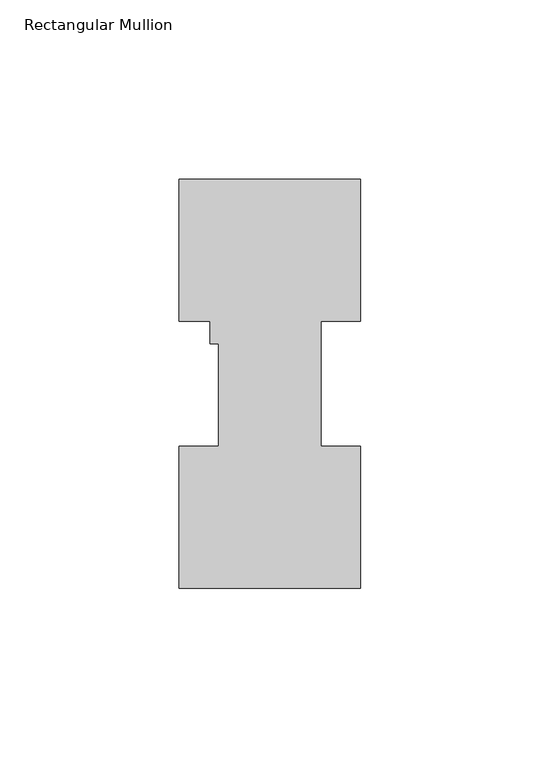
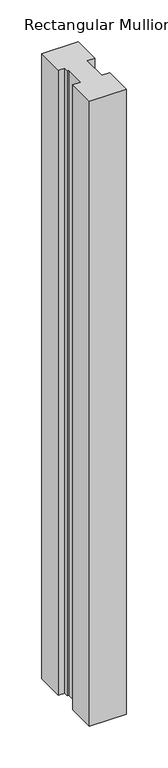
"""IFC4 building model written with IfcOpenShell, lengths in millimetres: member geometry, Rectangular Mullion."""

from ifc_helpers import new_model, si_unit, frame, origin, place, context, project, spatial, polyline, outline, extrude, source, transform, mapped, element, save


def rectangular_mullion_d91ef02a(model_context):
    return source(origin(), model_context, "Body", "SweptSolid", [
        extrude(outline(polyline([(25.4, 114.2714251), (25.4, 74.596625), (14.2874997, 74.596625), (14.2874997, 39.646225), (25.3999997, 39.646225), (25.3999997, -0.0285749), (-25.4, -0.0285749), (-25.4, 39.6462251), (-14.2875003, 39.6462251), (-14.2875003, 68.246625), (-16.6624003, 68.246625), (-16.6624003, 74.5966251), (-25.4, 74.5966251), (-25.4, 114.2714251), (25.4, 114.2714251)])), frame((0.0, 0.0, -914.4), z_axis=(0.0, 0.0, 1.0), x_axis=(1.0, 0.0, 0.0)), (0.0, 0.0, 1.0), 914.4),
    ])


if __name__ == "__main__":
    model = new_model("IFC4")
    model_context = context("Model", 3, world=origin())
    ifc_project = project(units=[si_unit("LENGTHUNIT", "METRE", prefix="MILLI")], contexts=[model_context])
    site = spatial("IfcSite", under=ifc_project)
    building = spatial("IfcBuilding", under=site)
    placement = place(None, origin())
    rectangular_mullion_shape = rectangular_mullion_d91ef02a(model_context)
    element("IfcMember", 1, ObjectType="Rectangular Mullion", at=placement, inside=building, context=model_context, shape_type="MappedRepresentation", body=[
        mapped(rectangular_mullion_shape, transform((0.0, 0.0, 0.0), x_axis=(1.0, 0.0, 0.0), y_axis=(0.0, 1.0, 0.0), z_axis=(0.0, 0.0, 1.0))),
    ])
    save(model, "model.ifc")
